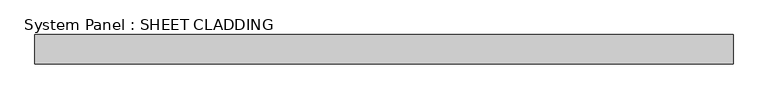
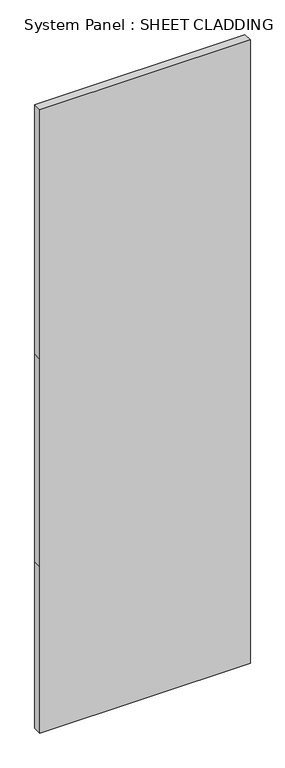
"""IFC4 building model written with IfcOpenShell, lengths in millimetres: plate geometry, System Panel : SHEET CLADDING."""

import ifcopenshell
import ifcopenshell.guid

model = None  # the IFC model being written
_history = None  # IfcOwnerHistory: only IFC2X3 demands one
_inside = {}  # id of a spatial element -> (the spatial element, [elements in it])
_under = {}  # id of a project, library or spatial element -> (it, [spatial elements below it])
_declared = {}  # id of a project -> (the project, [libraries it declares])
_typed = {}  # id of a type object -> (the type object, [elements of that type])
_made_of = {}  # id of a material, layer set ... -> (it, [elements and type objects made of it])


def new_model(schema):
    """Start an empty IFC model of exactly this schema.

    Asked for "IFC4X3", IfcOpenShell would pick the latest addendum, in which some entities
    have other attributes; the version numbers below select the first issue.
    IFC2X3 requires an IfcOwnerHistory on every rooted entity: one is made here for all.
    """
    global model, _history
    if schema == "IFC4X3":
        model = ifcopenshell.file(schema_version=(4, 3, 0, 0))
    else:
        model = ifcopenshell.file(schema=schema)
    _inside.clear()
    _under.clear()
    _declared.clear()
    _typed.clear()
    _made_of.clear()
    _history = None
    if model.schema == "IFC2X3":
        org = make("IfcOrganization", Name="unknown")
        user = make(
            "IfcPersonAndOrganization",
            ThePerson=make("IfcPerson", FamilyName="unknown"),
            TheOrganization=org,
        )
        app = make(
            "IfcApplication",
            ApplicationDeveloper=org,
            Version="unknown",
            ApplicationFullName="unknown",
            ApplicationIdentifier="unknown",
        )
        _history = make(
            "IfcOwnerHistory",
            OwningUser=user,
            OwningApplication=app,
            ChangeAction="ADDED",
            CreationDate=0,
        )
    return model


def make(cls, **values):
    """One entity of the class cls with the attributes given. An attribute that is None is left unset."""
    return model.create_entity(
        cls, **{name: value for name, value in values.items() if value is not None}
    )


def rooted(cls, **values):
    """An entity with a GlobalId (a new one), such as an element, a storey or a relation."""
    return make(cls, GlobalId=ifcopenshell.guid.new(), OwnerHistory=_history, **values)


def si_unit(unit_type, name, prefix=None):
    """IfcSIUnit, for example si_unit("LENGTHUNIT", "METRE", prefix="MILLI")."""
    return make("IfcSIUnit", UnitType=unit_type, Prefix=prefix, Name=name)


def assignment(units):
    """IfcUnitAssignment: the units of a project."""
    return None if units is None else make("IfcUnitAssignment", Units=units)


def point(xyz):
    """IfcCartesianPoint."""
    return None if xyz is None else make("IfcCartesianPoint", Coordinates=xyz)


def direction(xyz):
    """IfcDirection."""
    return None if xyz is None else make("IfcDirection", DirectionRatios=xyz)


def frame(location, z_axis=None, x_axis=None):
    """IfcAxis2Placement3D, a coordinate frame: its origin and axes. An axis left out is left unset."""
    return make(
        "IfcAxis2Placement3D",
        Location=point(location),
        Axis=direction(z_axis),
        RefDirection=direction(x_axis),
    )


def origin():
    """The frame at (0, 0, 0) with its axes left unset."""
    return frame((0.0, 0.0, 0.0))


def place(relative_to, where):
    """IfcLocalPlacement: puts the frame where relative to a parent placement (None: the world)."""
    return make(
        "IfcLocalPlacement", PlacementRelTo=relative_to, RelativePlacement=where
    )


def context(
    kind, dimensions, precision=None, world=None, true_north=None, identifier=None
):
    """IfcGeometricRepresentationContext, for example the 3D "Model" context."""
    return make(
        "IfcGeometricRepresentationContext",
        ContextIdentifier=identifier,
        ContextType=kind,
        CoordinateSpaceDimension=dimensions,
        Precision=precision,
        WorldCoordinateSystem=world,
        TrueNorth=true_north,
    )


def project(units=None, contexts=None):
    """IfcProject with its units and contexts."""
    return rooted(
        "IfcProject",
        Name="project",
        RepresentationContexts=contexts,
        UnitsInContext=assignment(units),
    )


def spatial(cls, under=None, at=None, **own):
    """A site, building, storey or space (cls), placed at a placement, below another one or the project."""
    s = rooted(cls, ObjectPlacement=at, **own)
    if under is not None:
        _under.setdefault(under.id(), (under, []))[1].append(s)
    return s


def polyline(points):
    """IfcPolyline through the points."""
    return make("IfcPolyline", Points=[point(p) for p in points])


def outline(outer, holes=None, kind="AREA"):
    """IfcArbitraryClosedProfileDef: a profile drawn as a closed curve; with holes, ...WithVoids."""
    if holes is None:
        return make("IfcArbitraryClosedProfileDef", ProfileType=kind, OuterCurve=outer)
    return make(
        "IfcArbitraryProfileDefWithVoids",
        ProfileType=kind,
        OuterCurve=outer,
        InnerCurves=holes,
    )


def extrude(swept, where, along, depth):
    """IfcExtrudedAreaSolid: the profile swept, set in the frame where, extruded along a direction by depth."""
    return make(
        "IfcExtrudedAreaSolid",
        SweptArea=swept,
        Position=where,
        ExtrudedDirection=direction(along),
        Depth=depth,
    )


def shape(context_of_items, identifier, shape_type, items):
    """IfcShapeRepresentation: the items that make up one representation, for example the "Body"."""
    return make(
        "IfcShapeRepresentation",
        ContextOfItems=context_of_items,
        RepresentationIdentifier=identifier,
        RepresentationType=shape_type,
        Items=items,
    )


def source(mapping_origin, context_of_items, identifier, shape_type, items):
    """IfcRepresentationMap: a shape defined once, which mapped items show again and again."""
    return make(
        "IfcRepresentationMap",
        MappingOrigin=mapping_origin,
        MappedRepresentation=shape(context_of_items, identifier, shape_type, items),
    )


def transform(
    local_origin,
    x_axis=None,
    y_axis=None,
    z_axis=None,
    scale=None,
    scale2=None,
    scale3=None,
    uniform=True,
):
    """IfcCartesianTransformationOperator3D, or its non-uniform kind. x_axis, y_axis, z_axis: its Axis1, 2, 3."""
    if uniform:
        return make(
            "IfcCartesianTransformationOperator3D",
            Axis1=direction(x_axis),
            Axis2=direction(y_axis),
            LocalOrigin=point(local_origin),
            Scale=scale,
            Axis3=direction(z_axis),
        )
    return make(
        "IfcCartesianTransformationOperator3DnonUniform",
        Axis1=direction(x_axis),
        Axis2=direction(y_axis),
        LocalOrigin=point(local_origin),
        Scale=scale,
        Axis3=direction(z_axis),
        Scale2=scale2,
        Scale3=scale3,
    )


def mapped(mapping_source, mapping_target):
    """IfcMappedItem: shows the shape of a source again, moved by a transform."""
    return make(
        "IfcMappedItem", MappingSource=mapping_source, MappingTarget=mapping_target
    )


def made_of(thing, what):
    """Note that an element or type object is made of a material, layer set ...; save() writes the relation."""
    if what is not None:
        _made_of.setdefault(what.id(), (what, []))[1].append(thing)
    return thing


def element(
    cls,
    number,
    at=None,
    inside=None,
    cuts=None,
    type_object=None,
    material=None,
    context=None,
    identifier="Body",
    shape_type=None,
    held_by="IfcProductDefinitionShape",
    body=None,
    shapes=None,
    **own,
):
    """One element of the class cls, such as IfcWall. Its Tag is "e" and its number.

    at: its placement. inside: the storey or other place that contains it. cuts: it is an
    opening in that element (IfcRelVoidsElement). A single representation is given by context,
    identifier, shape_type and body (its items); several are given by shapes. held_by: the class
    of the entity that holds the representations. save() writes the other relations.
    """
    e = rooted(cls, Tag="e%d" % number, ObjectPlacement=at, **own)
    if body is not None:
        shapes = [shape(context, identifier, shape_type, body)]
    if shapes is not None:
        e.Representation = make(held_by, Representations=shapes)
    if inside is not None:
        _inside.setdefault(inside.id(), (inside, []))[1].append(e)
    if cuts is not None:
        rooted(
            "IfcRelVoidsElement", RelatingBuildingElement=cuts, RelatedOpeningElement=e
        )
    if type_object is not None:
        _typed.setdefault(type_object.id(), (type_object, []))[1].append(e)
    return made_of(e, material)


def aggregate(whole, parts):
    """IfcRelAggregates: a whole, such as a stair, and the parts it consists of."""
    return rooted("IfcRelAggregates", RelatingObject=whole, RelatedObjects=parts)


def save(model, path):
    """Write the relations noted so far, then the file.

    IfcRelAggregates (storeys below a building ...), IfcRelContainedInSpatialStructure (elements
    in a storey), IfcRelDefinesByType, IfcRelAssociatesMaterial and IfcRelDeclares: one each for
    every whole, place, type object, material and project.
    """
    for whole, parts in _under.values():
        aggregate(whole, parts)
    for where, things in _inside.values():
        rooted(
            "IfcRelContainedInSpatialStructure",
            RelatedElements=things,
            RelatingStructure=where,
        )
    for kind, things in _typed.values():
        rooted("IfcRelDefinesByType", RelatedObjects=things, RelatingType=kind)
    for what, things in _made_of.values():
        rooted("IfcRelAssociatesMaterial", RelatedObjects=things, RelatingMaterial=what)
    for by, libraries in _declared.values():
        rooted("IfcRelDeclares", RelatingContext=by, RelatedDefinitions=libraries)
    model.write(path)


def system_panel_sheet_cladding_b78de94b(model_context):
    return source(origin(), model_context, "Body", "SweptSolid", [
        extrude(outline(polyline([(0.0, -718.75), (0.0, 718.75), (1200.0, 718.75), (2700.0, 718.75), (4500.0, 718.75), (4500.0, -718.75), (2700.0, -718.75), (1200.0, -718.75), (0.0, -718.75)])), frame((0.0, -49.5, 0.0), z_axis=(0.0, 1.0, 0.0), x_axis=(0.0, 0.0, 1.0)), (0.0, 0.0, 1.0), 60.0),
    ])


if __name__ == "__main__":
    model = new_model("IFC4")
    model_context = context("Model", 3, world=origin())
    ifc_project = project(units=[si_unit("LENGTHUNIT", "METRE", prefix="MILLI")], contexts=[model_context])
    site = spatial("IfcSite", under=ifc_project)
    building = spatial("IfcBuilding", under=site)
    placement = place(None, origin())
    system_panel_sheet_cladding_shape = system_panel_sheet_cladding_b78de94b(model_context)
    element("IfcPlate", 1, ObjectType="System Panel : SHEET CLADDING", at=placement, inside=building, context=model_context, shape_type="MappedRepresentation", body=[
        mapped(system_panel_sheet_cladding_shape, transform((0.0, 0.0, 0.0), x_axis=(1.0, 0.0, 0.0), y_axis=(0.0, 1.0, 0.0), z_axis=(0.0, 0.0, 1.0))),
    ])
    save(model, "model.ifc")
